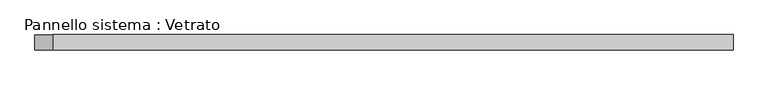
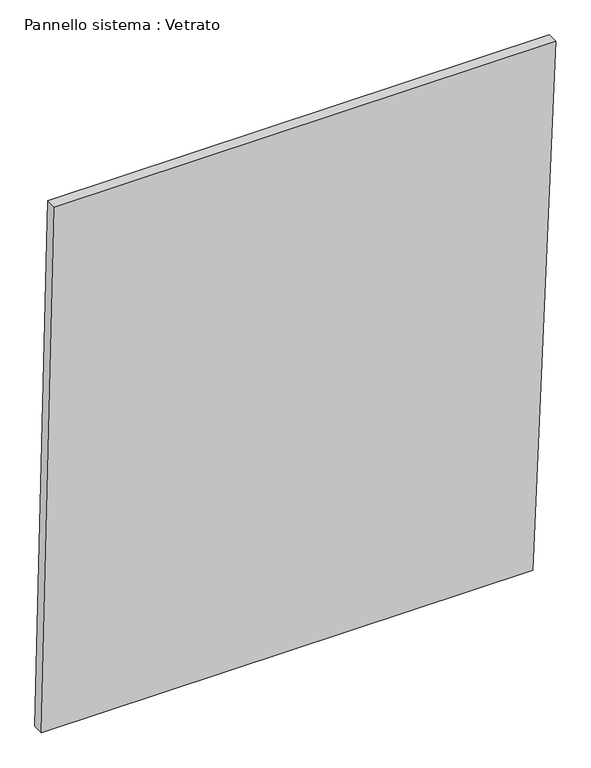
"""IFC4 building model written with IfcOpenShell, lengths in millimetres: plate geometry, Pannello sistema : Vetrato."""

from ifc_helpers import new_model, si_unit, frame, origin, place, context, project, spatial, polyline, outline, extrude, source, transform, mapped, element, save


def pannello_sistema_vetrato_dcb49917(model_context):
    return source(origin(), model_context, "Body", "SweptSolid", [
        extrude(outline(polyline([(0.8405032, -679.8302193), (0.0, 618.175363), (1456.6908044, 679.8302193), (1456.6908044, -645.4330738), (0.8405032, -679.8302193)])), frame((0.0, -15.0, 0.0), z_axis=(0.0, 1.0, 0.0), x_axis=(0.0, 0.0, 1.0)), (0.0, 0.0, 1.0), 30.0),
    ])


if __name__ == "__main__":
    model = new_model("IFC4")
    model_context = context("Model", 3, world=origin())
    ifc_project = project(units=[si_unit("LENGTHUNIT", "METRE", prefix="MILLI")], contexts=[model_context])
    site = spatial("IfcSite", under=ifc_project)
    building = spatial("IfcBuilding", under=site)
    placement = place(None, origin())
    pannello_sistema_vetrato_shape = pannello_sistema_vetrato_dcb49917(model_context)
    element("IfcPlate", 1, ObjectType="Pannello sistema : Vetrato", at=placement, inside=building, context=model_context, shape_type="MappedRepresentation", body=[
        mapped(pannello_sistema_vetrato_shape, transform((0.0, 0.0, 0.0), x_axis=(1.0, 0.0, 0.0), y_axis=(0.0, 1.0, 0.0), z_axis=(0.0, 0.0, 1.0))),
    ])
    save(model, "model.ifc")
